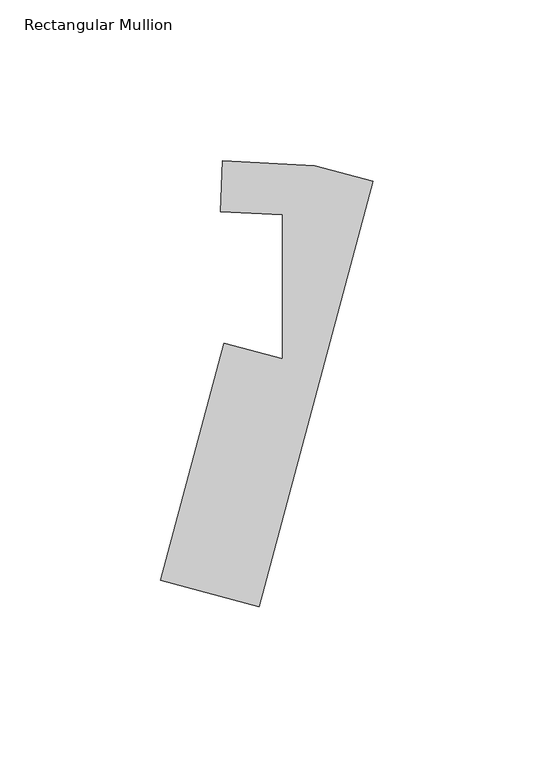
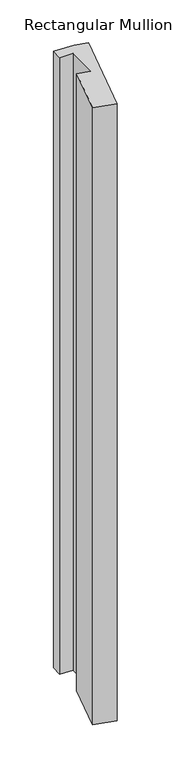
"""IFC4 building model written with IfcOpenShell, lengths in millimetres: member geometry, Rectangular Mullion."""

from ifc_helpers import new_model, si_unit, frame, origin, place, context, project, spatial, polyline, outline, extrude, source, transform, mapped, element, save


def rectangular_mullion_9fdef29b(model_context):
    return source(origin(), model_context, "Body", "SweptSolid", [
        extrude(outline(polyline([(-62.0655935, -108.9554269), (-42.3173147, -35.253847), (-24.1741853, -40.1152838), (-24.1741853, 4.6675349), (-43.4500596, 5.6777407), (-42.7451691, 21.537585), (-14.1163917, 20.0372143), (4.0636846, 15.1658775), (-31.3964631, -117.1731956), (-62.0655935, -108.9554269)])), frame((0.0, 0.0, -936.5), z_axis=(0.0, 0.0, 1.0), x_axis=(1.0, 0.0, 0.0)), (0.0, 0.0, 1.0), 936.5),
    ])


if __name__ == "__main__":
    model = new_model("IFC4")
    model_context = context("Model", 3, world=origin())
    ifc_project = project(units=[si_unit("LENGTHUNIT", "METRE", prefix="MILLI")], contexts=[model_context])
    site = spatial("IfcSite", under=ifc_project)
    building = spatial("IfcBuilding", under=site)
    placement = place(None, origin())
    rectangular_mullion_shape = rectangular_mullion_9fdef29b(model_context)
    element("IfcMember", 1, ObjectType="Rectangular Mullion", at=placement, inside=building, context=model_context, shape_type="MappedRepresentation", body=[
        mapped(rectangular_mullion_shape, transform((0.0, 0.0, 0.0), x_axis=(1.0, 0.0, 0.0), y_axis=(0.0, 1.0, 0.0), z_axis=(0.0, 0.0, 1.0))),
    ])
    save(model, "model.ifc")
